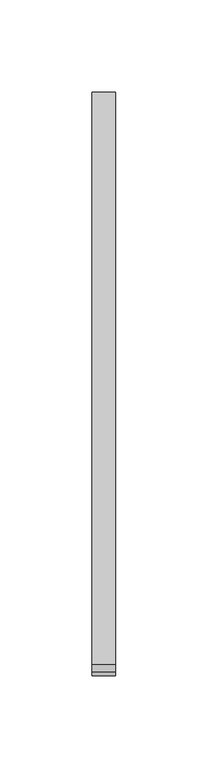
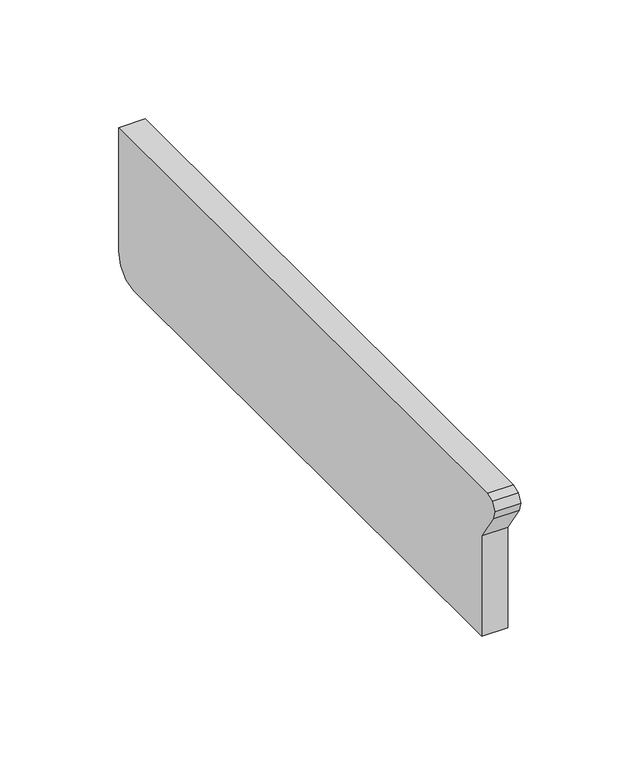
"""IFC4 building model written with IfcOpenShell, lengths in millimetres: furniture geometry."""

from ifc_helpers import new_model, si_unit, frame, origin, place, context, project, spatial, polyline, outline, extrude, source, transform, mapped, element, save


def furniture_6741b695(model_context):
    return source(origin(), model_context, "Body", "SweptSolid", [
        extrude(outline(polyline([(-34.4332919, 911.8004687), (-326.8573867, 911.8004687), (-326.8573867, 963.3446063), (-336.5789227, 977.972538), (-337.6843422, 982.35194), (-335.59875, 986.3583542), (-331.377278, 987.9647424), (-21.75256, 987.9647424), (-21.75256, 924.4285503), (-23.4347672, 918.1504627), (-28.0832818, 913.5019481), (-34.4332919, 911.8004687)])), frame((12.3877049, 0.0, 0.0), z_axis=(1.0, 0.0, 0.0), x_axis=(0.0, 1.0, 0.0)), (0.0, 0.0, 1.0), 12.7),
    ])


if __name__ == "__main__":
    model = new_model("IFC4")
    model_context = context("Model", 3, world=origin())
    ifc_project = project(units=[si_unit("LENGTHUNIT", "METRE", prefix="MILLI")], contexts=[model_context])
    site = spatial("IfcSite", under=ifc_project)
    building = spatial("IfcBuilding", under=site)
    placement = place(None, origin())
    furniture_shape = furniture_6741b695(model_context)
    element("IfcFurniture", 1, at=placement, inside=building, context=model_context, shape_type="MappedRepresentation", body=[
        mapped(furniture_shape, transform((0.0, 0.0, 0.0), x_axis=(1.0, 0.0, 0.0), y_axis=(0.0, 1.0, 0.0), z_axis=(0.0, 0.0, 1.0))),
    ])
    save(model, "model.ifc")
